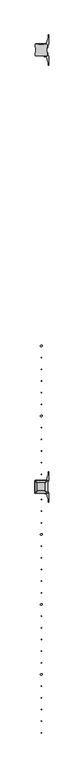
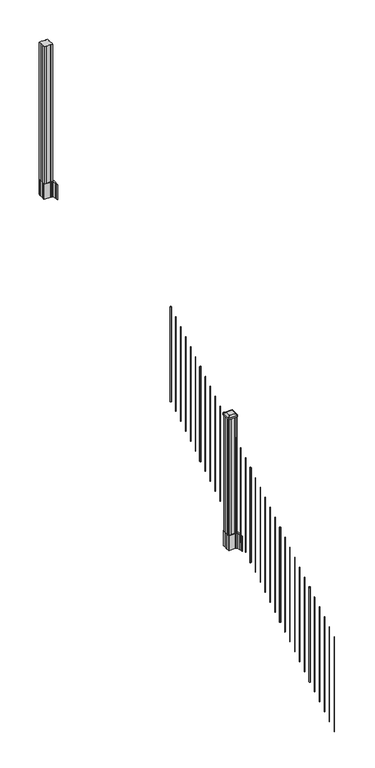
"""IFC4 building model written with IfcOpenShell, lengths in millimetres: railing geometry."""

from ifc_helpers import new_model, si_unit, point, frame, frame_2d, origin, place, context, project, spatial, polyline, circle_curve, trimmed, segment, composite_curve, outline, extrude, source, transform, mapped, element, save
from ifc_brep_helpers import plane_surface, extruded_surface, advanced_brep


def railing_89d02215(model_context):
    return source(origin(), model_context, "Body", "SolidModel", [
        extrude(outline(composite_curve([segment(trimmed(circle_curve(frame_2d((8683.6657728, -84632.7128453)), 6.35), [point((8677.3157728, -84632.7128453))], [point((8683.6657728, -84626.3628453))], False, "CARTESIAN"), True, "CONTINUOUS"), segment(trimmed(circle_curve(frame_2d((8683.6657728, -84632.7128453)), 6.35), [point((8683.6657728, -84626.3628453))], [point((8690.0157728, -84632.7128453))], False, "CARTESIAN"), True, "CONTINUOUS"), segment(trimmed(circle_curve(frame_2d((8683.6657728, -84632.7128453)), 6.35), [point((8690.0157728, -84632.7128453))], [point((8683.6657728, -84639.0628453))], False, "CARTESIAN"), True, "CONTINUOUS"), segment(trimmed(circle_curve(frame_2d((8683.6657728, -84632.7128453)), 6.35), [point((8683.6657728, -84639.0628453))], [point((8677.3157728, -84632.7128453))], False, "CARTESIAN"), True, "CONTINUOUS")], self_intersect=False)), frame((0.0, 0.0, 2058.1896281), z_axis=(0.0, 0.0, 1.0), x_axis=(1.0, 0.0, 0.0)), (0.0, 0.0, 1.0), 965.2041219),
        extrude(outline(composite_curve([segment(trimmed(circle_curve(frame_2d((8683.6657728, -84715.2628453)), 1.5875), [point((8682.0782728, -84715.2628453))], [point((8683.6657728, -84713.6753453))], False, "CARTESIAN"), True, "CONTINUOUS"), segment(trimmed(circle_curve(frame_2d((8683.6657728, -84715.2628453)), 1.5875), [point((8683.6657728, -84713.6753453))], [point((8685.2532728, -84715.2628453))], False, "CARTESIAN"), True, "CONTINUOUS"), segment(trimmed(circle_curve(frame_2d((8683.6657728, -84715.2628453)), 1.5875), [point((8685.2532728, -84715.2628453))], [point((8683.6657728, -84716.8503453))], False, "CARTESIAN"), True, "CONTINUOUS"), segment(trimmed(circle_curve(frame_2d((8683.6657728, -84715.2628453)), 1.5875), [point((8683.6657728, -84716.8503453))], [point((8682.0782728, -84715.2628453))], False, "CARTESIAN"), True, "CONTINUOUS")], self_intersect=False)), frame((0.0, 0.0, 2006.5958781), z_axis=(0.0, 0.0, 1.0), x_axis=(1.0, 0.0, 0.0)), (0.0, 0.0, 1.0), 965.2041219),
        extrude(outline(composite_curve([segment(trimmed(circle_curve(frame_2d((8683.6657728, -84797.8128453)), 1.5875), [point((8682.0782728, -84797.8128453))], [point((8683.6657728, -84796.2253453))], False, "CARTESIAN"), True, "CONTINUOUS"), segment(trimmed(circle_curve(frame_2d((8683.6657728, -84797.8128453)), 1.5875), [point((8683.6657728, -84796.2253453))], [point((8685.2532728, -84797.8128453))], False, "CARTESIAN"), True, "CONTINUOUS"), segment(trimmed(circle_curve(frame_2d((8683.6657728, -84797.8128453)), 1.5875), [point((8685.2532728, -84797.8128453))], [point((8683.6657728, -84799.4003453))], False, "CARTESIAN"), True, "CONTINUOUS"), segment(trimmed(circle_curve(frame_2d((8683.6657728, -84797.8128453)), 1.5875), [point((8683.6657728, -84799.4003453))], [point((8682.0782728, -84797.8128453))], False, "CARTESIAN"), True, "CONTINUOUS")], self_intersect=False)), frame((0.0, 0.0, 1955.0021281), z_axis=(0.0, 0.0, 1.0), x_axis=(1.0, 0.0, 0.0)), (0.0, 0.0, 1.0), 965.2041219),
        extrude(outline(composite_curve([segment(trimmed(circle_curve(frame_2d((8683.6657728, -84880.3628453)), 1.5875), [point((8682.0782728, -84880.3628453))], [point((8683.6657728, -84878.7753453))], False, "CARTESIAN"), True, "CONTINUOUS"), segment(trimmed(circle_curve(frame_2d((8683.6657728, -84880.3628453)), 1.5875), [point((8683.6657728, -84878.7753453))], [point((8685.2532728, -84880.3628453))], False, "CARTESIAN"), True, "CONTINUOUS"), segment(trimmed(circle_curve(frame_2d((8683.6657728, -84880.3628453)), 1.5875), [point((8685.2532728, -84880.3628453))], [point((8683.6657728, -84881.9503453))], False, "CARTESIAN"), True, "CONTINUOUS"), segment(trimmed(circle_curve(frame_2d((8683.6657728, -84880.3628453)), 1.5875), [point((8683.6657728, -84881.9503453))], [point((8682.0782728, -84880.3628453))], False, "CARTESIAN"), True, "CONTINUOUS")], self_intersect=False)), frame((0.0, 0.0, 1903.4083781), z_axis=(0.0, 0.0, 1.0), x_axis=(1.0, 0.0, 0.0)), (0.0, 0.0, 1.0), 965.2041219),
        extrude(outline(composite_curve([segment(trimmed(circle_curve(frame_2d((8683.6657728, -84962.9128453)), 1.5875), [point((8682.0782728, -84962.9128453))], [point((8683.6657728, -84961.3253453))], False, "CARTESIAN"), True, "CONTINUOUS"), segment(trimmed(circle_curve(frame_2d((8683.6657728, -84962.9128453)), 1.5875), [point((8683.6657728, -84961.3253453))], [point((8685.2532728, -84962.9128453))], False, "CARTESIAN"), True, "CONTINUOUS"), segment(trimmed(circle_curve(frame_2d((8683.6657728, -84962.9128453)), 1.5875), [point((8685.2532728, -84962.9128453))], [point((8683.6657728, -84964.5003453))], False, "CARTESIAN"), True, "CONTINUOUS"), segment(trimmed(circle_curve(frame_2d((8683.6657728, -84962.9128453)), 1.5875), [point((8683.6657728, -84964.5003453))], [point((8682.0782728, -84962.9128453))], False, "CARTESIAN"), True, "CONTINUOUS")], self_intersect=False)), frame((0.0, 0.0, 1851.8146281), z_axis=(0.0, 0.0, 1.0), x_axis=(1.0, 0.0, 0.0)), (0.0, 0.0, 1.0), 965.2041219),
        extrude(outline(composite_curve([segment(trimmed(circle_curve(frame_2d((8683.6657728, -85045.4628453)), 1.5875), [point((8682.0782728, -85045.4628453))], [point((8683.6657728, -85043.8753453))], False, "CARTESIAN"), True, "CONTINUOUS"), segment(trimmed(circle_curve(frame_2d((8683.6657728, -85045.4628453)), 1.5875), [point((8683.6657728, -85043.8753453))], [point((8685.2532728, -85045.4628453))], False, "CARTESIAN"), True, "CONTINUOUS"), segment(trimmed(circle_curve(frame_2d((8683.6657728, -85045.4628453)), 1.5875), [point((8685.2532728, -85045.4628453))], [point((8683.6657728, -85047.0503453))], False, "CARTESIAN"), True, "CONTINUOUS"), segment(trimmed(circle_curve(frame_2d((8683.6657728, -85045.4628453)), 1.5875), [point((8683.6657728, -85047.0503453))], [point((8682.0782728, -85045.4628453))], False, "CARTESIAN"), True, "CONTINUOUS")], self_intersect=False)), frame((0.0, 0.0, 1800.2208781), z_axis=(0.0, 0.0, 1.0), x_axis=(1.0, 0.0, 0.0)), (0.0, 0.0, 1.0), 965.2041219),
        extrude(outline(composite_curve([segment(trimmed(circle_curve(frame_2d((8683.6657728, -85128.0128453)), 6.35), [point((8677.3157728, -85128.0128453))], [point((8683.6657728, -85121.6628453))], False, "CARTESIAN"), True, "CONTINUOUS"), segment(trimmed(circle_curve(frame_2d((8683.6657728, -85128.0128453)), 6.35), [point((8683.6657728, -85121.6628453))], [point((8690.0157728, -85128.0128453))], False, "CARTESIAN"), True, "CONTINUOUS"), segment(trimmed(circle_curve(frame_2d((8683.6657728, -85128.0128453)), 6.35), [point((8690.0157728, -85128.0128453))], [point((8683.6657728, -85134.3628453))], False, "CARTESIAN"), True, "CONTINUOUS"), segment(trimmed(circle_curve(frame_2d((8683.6657728, -85128.0128453)), 6.35), [point((8683.6657728, -85134.3628453))], [point((8677.3157728, -85128.0128453))], False, "CARTESIAN"), True, "CONTINUOUS")], self_intersect=False)), frame((0.0, 0.0, 1748.6271281), z_axis=(0.0, 0.0, 1.0), x_axis=(1.0, 0.0, 0.0)), (0.0, 0.0, 1.0), 965.2041219),
        extrude(outline(composite_curve([segment(trimmed(circle_curve(frame_2d((8683.6657728, -85210.5628453)), 1.5875), [point((8682.0782728, -85210.5628453))], [point((8683.6657728, -85208.9753453))], False, "CARTESIAN"), True, "CONTINUOUS"), segment(trimmed(circle_curve(frame_2d((8683.6657728, -85210.5628453)), 1.5875), [point((8683.6657728, -85208.9753453))], [point((8685.2532728, -85210.5628453))], False, "CARTESIAN"), True, "CONTINUOUS"), segment(trimmed(circle_curve(frame_2d((8683.6657728, -85210.5628453)), 1.5875), [point((8685.2532728, -85210.5628453))], [point((8683.6657728, -85212.1503453))], False, "CARTESIAN"), True, "CONTINUOUS"), segment(trimmed(circle_curve(frame_2d((8683.6657728, -85210.5628453)), 1.5875), [point((8683.6657728, -85212.1503453))], [point((8682.0782728, -85210.5628453))], False, "CARTESIAN"), True, "CONTINUOUS")], self_intersect=False)), frame((0.0, 0.0, 1697.0333781), z_axis=(0.0, 0.0, 1.0), x_axis=(1.0, 0.0, 0.0)), (0.0, 0.0, 1.0), 965.2041219),
        extrude(outline(composite_curve([segment(trimmed(circle_curve(frame_2d((8683.6657728, -85293.1128453)), 1.5875), [point((8682.0782728, -85293.1128453))], [point((8683.6657728, -85291.5253453))], False, "CARTESIAN"), True, "CONTINUOUS"), segment(trimmed(circle_curve(frame_2d((8683.6657728, -85293.1128453)), 1.5875), [point((8683.6657728, -85291.5253453))], [point((8685.2532728, -85293.1128453))], False, "CARTESIAN"), True, "CONTINUOUS"), segment(trimmed(circle_curve(frame_2d((8683.6657728, -85293.1128453)), 1.5875), [point((8685.2532728, -85293.1128453))], [point((8683.6657728, -85294.7003453))], False, "CARTESIAN"), True, "CONTINUOUS"), segment(trimmed(circle_curve(frame_2d((8683.6657728, -85293.1128453)), 1.5875), [point((8683.6657728, -85294.7003453))], [point((8682.0782728, -85293.1128453))], False, "CARTESIAN"), True, "CONTINUOUS")], self_intersect=False)), frame((0.0, 0.0, 1645.4396281), z_axis=(0.0, 0.0, 1.0), x_axis=(1.0, 0.0, 0.0)), (0.0, 0.0, 1.0), 965.2041219),
        extrude(outline(composite_curve([segment(trimmed(circle_curve(frame_2d((8683.6657728, -85375.6628453)), 1.5875), [point((8682.0782728, -85375.6628453))], [point((8683.6657728, -85374.0753453))], False, "CARTESIAN"), True, "CONTINUOUS"), segment(trimmed(circle_curve(frame_2d((8683.6657728, -85375.6628453)), 1.5875), [point((8683.6657728, -85374.0753453))], [point((8685.2532728, -85375.6628453))], False, "CARTESIAN"), True, "CONTINUOUS"), segment(trimmed(circle_curve(frame_2d((8683.6657728, -85375.6628453)), 1.5875), [point((8685.2532728, -85375.6628453))], [point((8683.6657728, -85377.2503453))], False, "CARTESIAN"), True, "CONTINUOUS"), segment(trimmed(circle_curve(frame_2d((8683.6657728, -85375.6628453)), 1.5875), [point((8683.6657728, -85377.2503453))], [point((8682.0782728, -85375.6628453))], False, "CARTESIAN"), True, "CONTINUOUS")], self_intersect=False)), frame((0.0, 0.0, 1593.8458781), z_axis=(0.0, 0.0, 1.0), x_axis=(1.0, 0.0, 0.0)), (0.0, 0.0, 1.0), 965.2041219),
        extrude(outline(composite_curve([segment(trimmed(circle_curve(frame_2d((8683.6657728, -85458.2128453)), 1.5875), [point((8682.0782728, -85458.2128453))], [point((8683.6657728, -85456.6253453))], False, "CARTESIAN"), True, "CONTINUOUS"), segment(trimmed(circle_curve(frame_2d((8683.6657728, -85458.2128453)), 1.5875), [point((8683.6657728, -85456.6253453))], [point((8685.2532728, -85458.2128453))], False, "CARTESIAN"), True, "CONTINUOUS"), segment(trimmed(circle_curve(frame_2d((8683.6657728, -85458.2128453)), 1.5875), [point((8685.2532728, -85458.2128453))], [point((8683.6657728, -85459.8003453))], False, "CARTESIAN"), True, "CONTINUOUS"), segment(trimmed(circle_curve(frame_2d((8683.6657728, -85458.2128453)), 1.5875), [point((8683.6657728, -85459.8003453))], [point((8682.0782728, -85458.2128453))], False, "CARTESIAN"), True, "CONTINUOUS")], self_intersect=False)), frame((0.0, 0.0, 1542.2521281), z_axis=(0.0, 0.0, 1.0), x_axis=(1.0, 0.0, 0.0)), (0.0, 0.0, 1.0), 965.2041219),
        extrude(outline(composite_curve([segment(trimmed(circle_curve(frame_2d((8683.6657728, -85540.7628453)), 1.5875), [point((8682.0782728, -85540.7628453))], [point((8683.6657728, -85539.1753453))], False, "CARTESIAN"), True, "CONTINUOUS"), segment(trimmed(circle_curve(frame_2d((8683.6657728, -85540.7628453)), 1.5875), [point((8683.6657728, -85539.1753453))], [point((8685.2532728, -85540.7628453))], False, "CARTESIAN"), True, "CONTINUOUS"), segment(trimmed(circle_curve(frame_2d((8683.6657728, -85540.7628453)), 1.5875), [point((8685.2532728, -85540.7628453))], [point((8683.6657728, -85542.3503453))], False, "CARTESIAN"), True, "CONTINUOUS"), segment(trimmed(circle_curve(frame_2d((8683.6657728, -85540.7628453)), 1.5875), [point((8683.6657728, -85542.3503453))], [point((8682.0782728, -85540.7628453))], False, "CARTESIAN"), True, "CONTINUOUS")], self_intersect=False)), frame((0.0, 0.0, 1490.6583781), z_axis=(0.0, 0.0, 1.0), x_axis=(1.0, 0.0, 0.0)), (0.0, 0.0, 1.0), 965.2041219),
        extrude(outline(composite_curve([segment(polyline([(8640.9302728, -85647.0489401), (8640.9302728, -85612.2767504), (8639.3427728, -85611.5147504), (8639.3427728, -85588.7128224), (8642.7157498, -85585.3398453), (8704.1754206, -85585.3398453), (8704.1754206, -85584.4190953), (8709.4929645, -85584.4190953), (8709.4929645, -85582.9648406), (8714.5774942, -85582.9648406), (8714.5774942, -85581.6808168), (8716.2447665, -85581.6808168)]), True, "CONTINUOUS"), segment(trimmed(circle_curve(frame_2d((8716.2447665, -85574.6213569)), 7.0594599), [point((8716.2447665, -85581.6808168))], [point((8723.0120293, -85576.6313636))], True, "CARTESIAN"), True, "CONTINUOUS"), segment(polyline([(8723.0120293, -85576.6313636), (8730.8862236, -85550.1206345)]), True, "CONTINUOUS"), segment(trimmed(circle_curve(frame_2d((8676.1017103, -85533.8485848)), 57.15), [point((8730.8862236, -85550.1206345))], [point((8733.2517103, -85533.8485848))], True, "CARTESIAN"), True, "CONTINUOUS"), segment(polyline([(8733.2517103, -85533.8485848), (8733.2517103, -85521.8398453), (8736.2517103, -85521.8398453), (8736.2517103, -85586.9273453), (8727.9887728, -85598.2656366), (8727.9887728, -85611.5147504), (8726.4012728, -85612.2767504), (8726.4012728, -85647.0489401), (8727.9887728, -85647.8109401), (8727.9887728, -85661.060054), (8736.2517103, -85672.3983453), (8736.2517103, -85737.4858453), (8733.2517103, -85737.4858453), (8733.2517103, -85725.4771057)]), True, "CONTINUOUS"), segment(trimmed(circle_curve(frame_2d((8676.1017103, -85725.4771057)), 57.15), [point((8733.2517103, -85725.4771057))], [point((8730.8862236, -85709.2050561))], True, "CARTESIAN"), True, "CONTINUOUS"), segment(polyline([(8730.8862236, -85709.2050561), (8723.0120293, -85682.694327)]), True, "CONTINUOUS"), segment(trimmed(circle_curve(frame_2d((8716.2447665, -85684.7043337)), 7.0594599), [point((8723.0120293, -85682.694327))], [point((8716.2447665, -85677.6448738))], True, "CARTESIAN"), True, "CONTINUOUS"), segment(polyline([(8716.2447665, -85677.6448738), (8714.5774942, -85677.6448738), (8714.5774942, -85676.36085), (8709.4929645, -85676.36085), (8709.4929645, -85674.9065953), (8704.1754206, -85674.9065953), (8704.1754206, -85673.9858453), (8642.7157498, -85673.9858453), (8639.3427728, -85670.6128682), (8639.3427728, -85647.8109401), (8640.9302728, -85647.0489401)]), True, "CONTINUOUS")], self_intersect=False), holes=[polyline([(8724.9407728, -85589.9753453), (8723.3532728, -85588.3878453), (8686.4289902, -85588.3878453), (8643.9782728, -85588.3878453), (8642.3907728, -85589.9753453), (8642.3907728, -85669.3503453), (8643.9782728, -85670.9378453), (8686.4289902, -85670.9378453), (8723.3532728, -85670.9378453), (8724.9407728, -85669.3503453), (8724.9407728, -85589.9753453)])]), frame((0.0, 0.0, 1181.1), z_axis=(0.0, 0.0, 1.0), x_axis=(1.0, 0.0, 0.0)), (0.0, 0.0, 1.0), 152.4),
        advanced_brep(
        [(8709.4626478, -85658.6347203, 2545.839263), (8712.6376478, -85655.4597203, 2545.839263), (8712.6376478, -85603.8659703, 2545.839263), (8709.4626478, -85600.6909703, 2545.839263), (8657.8688978, -85600.6909703, 2545.839263), (8654.6938978, -85603.8659703, 2545.839263), (8654.6938978, -85655.4597203, 2545.839263), (8657.8688978, -85658.6347203, 2545.839263), (8725.7345228, -85674.9065953, 2534.536263), (8641.5970228, -85674.9065953, 2534.536263), (8638.4220228, -85671.7315953, 2534.536263), (8638.4220228, -85587.5940953, 2534.536263), (8641.5970228, -85584.4190953, 2534.536263), (8725.7345228, -85584.4190953, 2534.536263), (8728.9095228, -85587.5940953, 2534.536263), (8728.9095228, -85671.7315953, 2534.536263)],
        [
            (0, 1, circle_curve(frame((8709.4626478, -85655.4597203, 2545.839263), z_axis=(0.0, 0.0, 1.0), x_axis=(0.0, 1.0, 0.0)), 3.175)),
            (1, 2),
            (2, 3, circle_curve(frame((8709.4626478, -85603.8659703, 2545.839263), z_axis=(0.0, 0.0, 1.0), x_axis=(0.0, 1.0, 0.0)), 3.175)),
            (3, 4),
            (4, 5, circle_curve(frame((8657.8688978, -85603.8659703, 2545.839263), z_axis=(0.0, 0.0, 1.0), x_axis=(0.0, 1.0, 0.0)), 3.175)),
            (5, 6),
            (6, 7, circle_curve(frame((8657.8688978, -85655.4597203, 2545.839263), z_axis=(0.0, 0.0, 1.0), x_axis=(0.0, 1.0, 0.0)), 3.175)),
            (7, 0),
            (8, 9),
            (9, 10, circle_curve(frame((8641.5970228, -85671.7315953, 2534.536263), z_axis=(0.0, 0.0, -1.0), x_axis=(0.0, 1.0, 0.0)), 3.175)),
            (10, 11),
            (11, 12, circle_curve(frame((8641.5970228, -85587.5940953, 2534.536263), z_axis=(0.0, 0.0, -1.0), x_axis=(0.0, 1.0, 0.0)), 3.175)),
            (12, 13),
            (13, 14, circle_curve(frame((8725.7345228, -85587.5940953, 2534.536263), z_axis=(0.0, 0.0, -1.0), x_axis=(0.0, 1.0, 0.0)), 3.175)),
            (14, 15),
            (15, 8, circle_curve(frame((8725.7345228, -85671.7315953, 2534.536263), z_axis=(0.0, 0.0, -1.0), x_axis=(0.0, 1.0, 0.0)), 3.175)),
            (15, 1),
            (0, 8),
            (14, 2),
            (13, 3),
            (12, 4),
            (11, 5),
            (10, 6),
            (9, 7),
        ],
        [
            plane_surface(frame((8683.6657728, -85629.6628453, 2545.839263), z_axis=(0.0, 0.0, 1.0), x_axis=(1.0, 0.0, 0.0))),
            plane_surface(frame((8683.6657728, -85629.6628453, 2534.536263), z_axis=(0.0, 0.0, -1.0), x_axis=(1.0, 0.0, 0.0))),
            extruded_surface(trimmed(circle_curve(frame((8725.7345228, -85671.7315953, 2534.536263), z_axis=(0.0, 0.0, 1.0), x_axis=(0.0, 1.0, 0.0)), 3.175), [point((8725.7345228, -85674.9065953, 2534.536263))], [point((8728.9095228, -85671.7315953, 2534.536263))], True, "CARTESIAN"), (-16.271875000000364, 16.27187500000582, 11.302999999999884), 25.637972638870036),
            plane_surface(frame((8728.9095228, -85629.6628453, 2534.536263), z_axis=(0.5705009161540778, 0.0, 0.8212969649690408), x_axis=(0.0, 1.0, 0.0))),
            extruded_surface(trimmed(circle_curve(frame((8725.7345228, -85587.5940953, 2534.536263), z_axis=(0.0, 0.0, 1.0), x_axis=(0.0, 1.0, 0.0)), 3.175), [point((8728.9095228, -85587.5940953, 2534.536263))], [point((8725.7345228, -85584.4190953, 2534.536263))], True, "CARTESIAN"), (-16.271875000000364, -16.27187500000582, 11.302999999999884), 25.637972638870036),
            plane_surface(frame((8683.6657728, -85584.4190953, 2534.536263), z_axis=(0.0, 0.5705009161540291, 0.8212969649690747), x_axis=(-1.0, 0.0, 0.0))),
            extruded_surface(trimmed(circle_curve(frame((8641.5970228, -85587.5940953, 2534.536263), z_axis=(0.0, 0.0, 1.0), x_axis=(0.0, 1.0, 0.0)), 3.175), [point((8641.5970228, -85584.4190953, 2534.536263))], [point((8638.4220228, -85587.5940953, 2534.536263))], True, "CARTESIAN"), (16.271874999998545, -16.27187500000582, 11.302999999999884), 25.63797263886888),
            plane_surface(frame((8638.4220228, -85629.6628453, 2534.536263), z_axis=(-0.5705009161540142, 0.0, 0.8212969649690851), x_axis=(0.0, -1.0, 0.0))),
            extruded_surface(trimmed(circle_curve(frame((8641.5970228, -85671.7315953, 2534.536263), z_axis=(0.0, 0.0, 1.0), x_axis=(0.0, 1.0, 0.0)), 3.175), [point((8638.4220228, -85671.7315953, 2534.536263))], [point((8641.5970228, -85674.9065953, 2534.536263))], True, "CARTESIAN"), (16.271874999998545, 16.27187500000582, 11.302999999999884), 25.63797263886888),
            plane_surface(frame((8683.6657728, -85674.9065953, 2534.536263), z_axis=(0.0, -0.570500916154034, 0.8212969649690713), x_axis=(1.0, 0.0, 0.0))),
        ],
        [
            (0, [[1, 2, 3, 4, 5, 6, 7, 8]]),
            (1, [[9, 10, 11, 12, 13, 14, 15, 16]]),
            (2, [[-16, 17, -1, 18]]),
            (3, [[-15, 19, -2, -17]]),
            (4, [[-14, 20, -3, -19]]),
            (5, [[-13, 21, -4, -20]]),
            (6, [[-12, 22, -5, -21]]),
            (7, [[-11, 23, -6, -22]]),
            (8, [[-10, 24, -7, -23]]),
            (9, [[-9, -18, -8, -24]]),
        ],
    ),
        extrude(outline(composite_curve([segment(polyline([(8725.7345228, -85674.9065953), (8641.5970228, -85674.9065953)]), True, "CONTINUOUS"), segment(trimmed(circle_curve(frame_2d((8641.5970228, -85671.7315953)), 3.175), [point((8641.5970228, -85674.9065953))], [point((8638.4220228, -85671.7315953))], False, "CARTESIAN"), True, "CONTINUOUS"), segment(polyline([(8638.4220228, -85671.7315953), (8638.4220228, -85587.5940953)]), True, "CONTINUOUS"), segment(trimmed(circle_curve(frame_2d((8641.5970228, -85587.5940953)), 3.175), [point((8638.4220228, -85587.5940953))], [point((8641.5970228, -85584.4190953))], False, "CARTESIAN"), True, "CONTINUOUS"), segment(polyline([(8641.5970228, -85584.4190953), (8725.7345228, -85584.4190953)]), True, "CONTINUOUS"), segment(trimmed(circle_curve(frame_2d((8725.7345228, -85587.5940953)), 3.175), [point((8725.7345228, -85584.4190953))], [point((8728.9095228, -85587.5940953))], False, "CARTESIAN"), True, "CONTINUOUS"), segment(polyline([(8728.9095228, -85587.5940953), (8728.9095228, -85671.7315953)]), True, "CONTINUOUS"), segment(trimmed(circle_curve(frame_2d((8725.7345228, -85671.7315953)), 3.175), [point((8728.9095228, -85671.7315953))], [point((8725.7345228, -85674.9065953))], False, "CARTESIAN"), True, "CONTINUOUS")], self_intersect=False)), frame((0.0, 0.0, 2517.264263), z_axis=(0.0, 0.0, 1.0), x_axis=(1.0, 0.0, 0.0)), (0.0, 0.0, 1.0), 17.272),
        extrude(outline(polyline([(8723.3532728, -85670.9378453), (8703.7317728, -85670.9378453), (8702.9697728, -85669.3503453), (8664.3617728, -85669.3503453), (8663.5997728, -85670.9378453), (8643.9782728, -85670.9378453), (8642.3907728, -85669.3503453), (8642.3907728, -85649.7288453), (8643.9782728, -85648.9668453), (8643.9782728, -85610.3588453), (8642.3907728, -85609.5968453), (8642.3907728, -85589.9753453), (8643.9782728, -85588.3878453), (8663.5997728, -85588.3878453), (8664.3617728, -85589.9753453), (8702.9697728, -85589.9753453), (8703.7317728, -85588.3878453), (8723.3532728, -85588.3878453), (8724.9407728, -85589.9753453), (8724.9407728, -85609.5968453), (8723.3532728, -85610.3588453), (8723.3532728, -85648.9668453), (8724.9407728, -85649.7288453), (8724.9407728, -85669.3503453), (8723.3532728, -85670.9378453)])), frame((0.0, 0.0, 1333.5), z_axis=(0.0, 0.0, 1.0), x_axis=(1.0, 0.0, 0.0)), (0.0, 0.0, 1.0), 1183.764263),
        extrude(outline(composite_curve([segment(trimmed(circle_curve(frame_2d((8683.6657728, -85718.5628453)), 1.5875), [point((8682.0782728, -85718.5628453))], [point((8683.6657728, -85716.9753453))], False, "CARTESIAN"), True, "CONTINUOUS"), segment(trimmed(circle_curve(frame_2d((8683.6657728, -85718.5628453)), 1.5875), [point((8683.6657728, -85716.9753453))], [point((8685.2532728, -85718.5628453))], False, "CARTESIAN"), True, "CONTINUOUS"), segment(trimmed(circle_curve(frame_2d((8683.6657728, -85718.5628453)), 1.5875), [point((8685.2532728, -85718.5628453))], [point((8683.6657728, -85720.1503453))], False, "CARTESIAN"), True, "CONTINUOUS"), segment(trimmed(circle_curve(frame_2d((8683.6657728, -85718.5628453)), 1.5875), [point((8683.6657728, -85720.1503453))], [point((8682.0782728, -85718.5628453))], False, "CARTESIAN"), True, "CONTINUOUS")], self_intersect=False)), frame((0.0, 0.0, 1379.5333781), z_axis=(0.0, 0.0, 1.0), x_axis=(1.0, 0.0, 0.0)), (0.0, 0.0, 1.0), 965.2041219),
        extrude(outline(composite_curve([segment(trimmed(circle_curve(frame_2d((8683.6657728, -85801.1128453)), 1.5875), [point((8682.0782728, -85801.1128453))], [point((8683.6657728, -85799.5253453))], False, "CARTESIAN"), True, "CONTINUOUS"), segment(trimmed(circle_curve(frame_2d((8683.6657728, -85801.1128453)), 1.5875), [point((8683.6657728, -85799.5253453))], [point((8685.2532728, -85801.1128453))], False, "CARTESIAN"), True, "CONTINUOUS"), segment(trimmed(circle_curve(frame_2d((8683.6657728, -85801.1128453)), 1.5875), [point((8685.2532728, -85801.1128453))], [point((8683.6657728, -85802.7003453))], False, "CARTESIAN"), True, "CONTINUOUS"), segment(trimmed(circle_curve(frame_2d((8683.6657728, -85801.1128453)), 1.5875), [point((8683.6657728, -85802.7003453))], [point((8682.0782728, -85801.1128453))], False, "CARTESIAN"), True, "CONTINUOUS")], self_intersect=False)), frame((0.0, 0.0, 1327.9396281), z_axis=(0.0, 0.0, 1.0), x_axis=(1.0, 0.0, 0.0)), (0.0, 0.0, 1.0), 965.2041219),
        extrude(outline(composite_curve([segment(trimmed(circle_curve(frame_2d((8683.6657728, -85883.6628453)), 1.5875), [point((8682.0782728, -85883.6628453))], [point((8683.6657728, -85882.0753453))], False, "CARTESIAN"), True, "CONTINUOUS"), segment(trimmed(circle_curve(frame_2d((8683.6657728, -85883.6628453)), 1.5875), [point((8683.6657728, -85882.0753453))], [point((8685.2532728, -85883.6628453))], False, "CARTESIAN"), True, "CONTINUOUS"), segment(trimmed(circle_curve(frame_2d((8683.6657728, -85883.6628453)), 1.5875), [point((8685.2532728, -85883.6628453))], [point((8683.6657728, -85885.2503453))], False, "CARTESIAN"), True, "CONTINUOUS"), segment(trimmed(circle_curve(frame_2d((8683.6657728, -85883.6628453)), 1.5875), [point((8683.6657728, -85885.2503453))], [point((8682.0782728, -85883.6628453))], False, "CARTESIAN"), True, "CONTINUOUS")], self_intersect=False)), frame((0.0, 0.0, 1276.3458781), z_axis=(0.0, 0.0, 1.0), x_axis=(1.0, 0.0, 0.0)), (0.0, 0.0, 1.0), 965.2041219),
        extrude(outline(composite_curve([segment(trimmed(circle_curve(frame_2d((8683.6657728, -85966.2128453)), 6.35), [point((8677.3157728, -85966.2128453))], [point((8683.6657728, -85959.8628453))], False, "CARTESIAN"), True, "CONTINUOUS"), segment(trimmed(circle_curve(frame_2d((8683.6657728, -85966.2128453)), 6.35), [point((8683.6657728, -85959.8628453))], [point((8690.0157728, -85966.2128453))], False, "CARTESIAN"), True, "CONTINUOUS"), segment(trimmed(circle_curve(frame_2d((8683.6657728, -85966.2128453)), 6.35), [point((8690.0157728, -85966.2128453))], [point((8683.6657728, -85972.5628453))], False, "CARTESIAN"), True, "CONTINUOUS"), segment(trimmed(circle_curve(frame_2d((8683.6657728, -85966.2128453)), 6.35), [point((8683.6657728, -85972.5628453))], [point((8677.3157728, -85966.2128453))], False, "CARTESIAN"), True, "CONTINUOUS")], self_intersect=False)), frame((0.0, 0.0, 1224.7521281), z_axis=(0.0, 0.0, 1.0), x_axis=(1.0, 0.0, 0.0)), (0.0, 0.0, 1.0), 965.2041219),
        extrude(outline(composite_curve([segment(trimmed(circle_curve(frame_2d((8683.6657728, -86048.7628453)), 1.5875), [point((8682.0782728, -86048.7628453))], [point((8683.6657728, -86047.1753453))], False, "CARTESIAN"), True, "CONTINUOUS"), segment(trimmed(circle_curve(frame_2d((8683.6657728, -86048.7628453)), 1.5875), [point((8683.6657728, -86047.1753453))], [point((8685.2532728, -86048.7628453))], False, "CARTESIAN"), True, "CONTINUOUS"), segment(trimmed(circle_curve(frame_2d((8683.6657728, -86048.7628453)), 1.5875), [point((8685.2532728, -86048.7628453))], [point((8683.6657728, -86050.3503453))], False, "CARTESIAN"), True, "CONTINUOUS"), segment(trimmed(circle_curve(frame_2d((8683.6657728, -86048.7628453)), 1.5875), [point((8683.6657728, -86050.3503453))], [point((8682.0782728, -86048.7628453))], False, "CARTESIAN"), True, "CONTINUOUS")], self_intersect=False)), frame((0.0, 0.0, 1173.1583781), z_axis=(0.0, 0.0, 1.0), x_axis=(1.0, 0.0, 0.0)), (0.0, 0.0, 1.0), 965.2041219),
        extrude(outline(composite_curve([segment(trimmed(circle_curve(frame_2d((8683.6657728, -86131.3128453)), 1.5875), [point((8682.0782728, -86131.3128453))], [point((8683.6657728, -86129.7253453))], False, "CARTESIAN"), True, "CONTINUOUS"), segment(trimmed(circle_curve(frame_2d((8683.6657728, -86131.3128453)), 1.5875), [point((8683.6657728, -86129.7253453))], [point((8685.2532728, -86131.3128453))], False, "CARTESIAN"), True, "CONTINUOUS"), segment(trimmed(circle_curve(frame_2d((8683.6657728, -86131.3128453)), 1.5875), [point((8685.2532728, -86131.3128453))], [point((8683.6657728, -86132.9003453))], False, "CARTESIAN"), True, "CONTINUOUS"), segment(trimmed(circle_curve(frame_2d((8683.6657728, -86131.3128453)), 1.5875), [point((8683.6657728, -86132.9003453))], [point((8682.0782728, -86131.3128453))], False, "CARTESIAN"), True, "CONTINUOUS")], self_intersect=False)), frame((0.0, 0.0, 1121.5646281), z_axis=(0.0, 0.0, 1.0), x_axis=(1.0, 0.0, 0.0)), (0.0, 0.0, 1.0), 965.2041219),
        extrude(outline(composite_curve([segment(trimmed(circle_curve(frame_2d((8683.6657728, -86213.8628453)), 1.5875), [point((8682.0782728, -86213.8628453))], [point((8683.6657728, -86212.2753453))], False, "CARTESIAN"), True, "CONTINUOUS"), segment(trimmed(circle_curve(frame_2d((8683.6657728, -86213.8628453)), 1.5875), [point((8683.6657728, -86212.2753453))], [point((8685.2532728, -86213.8628453))], False, "CARTESIAN"), True, "CONTINUOUS"), segment(trimmed(circle_curve(frame_2d((8683.6657728, -86213.8628453)), 1.5875), [point((8685.2532728, -86213.8628453))], [point((8683.6657728, -86215.4503453))], False, "CARTESIAN"), True, "CONTINUOUS"), segment(trimmed(circle_curve(frame_2d((8683.6657728, -86213.8628453)), 1.5875), [point((8683.6657728, -86215.4503453))], [point((8682.0782728, -86213.8628453))], False, "CARTESIAN"), True, "CONTINUOUS")], self_intersect=False)), frame((0.0, 0.0, 1069.9708781), z_axis=(0.0, 0.0, 1.0), x_axis=(1.0, 0.0, 0.0)), (0.0, 0.0, 1.0), 965.2041219),
        extrude(outline(composite_curve([segment(trimmed(circle_curve(frame_2d((8683.6657728, -86296.4128453)), 1.5875), [point((8682.0782728, -86296.4128453))], [point((8683.6657728, -86294.8253453))], False, "CARTESIAN"), True, "CONTINUOUS"), segment(trimmed(circle_curve(frame_2d((8683.6657728, -86296.4128453)), 1.5875), [point((8683.6657728, -86294.8253453))], [point((8685.2532728, -86296.4128453))], False, "CARTESIAN"), True, "CONTINUOUS"), segment(trimmed(circle_curve(frame_2d((8683.6657728, -86296.4128453)), 1.5875), [point((8685.2532728, -86296.4128453))], [point((8683.6657728, -86298.0003453))], False, "CARTESIAN"), True, "CONTINUOUS"), segment(trimmed(circle_curve(frame_2d((8683.6657728, -86296.4128453)), 1.5875), [point((8683.6657728, -86298.0003453))], [point((8682.0782728, -86296.4128453))], False, "CARTESIAN"), True, "CONTINUOUS")], self_intersect=False)), frame((0.0, 0.0, 1018.3771281), z_axis=(0.0, 0.0, 1.0), x_axis=(1.0, 0.0, 0.0)), (0.0, 0.0, 1.0), 965.2041219),
        extrude(outline(composite_curve([segment(trimmed(circle_curve(frame_2d((8683.6657728, -86378.9628453)), 1.5875), [point((8682.0782728, -86378.9628453))], [point((8683.6657728, -86377.3753453))], False, "CARTESIAN"), True, "CONTINUOUS"), segment(trimmed(circle_curve(frame_2d((8683.6657728, -86378.9628453)), 1.5875), [point((8683.6657728, -86377.3753453))], [point((8685.2532728, -86378.9628453))], False, "CARTESIAN"), True, "CONTINUOUS"), segment(trimmed(circle_curve(frame_2d((8683.6657728, -86378.9628453)), 1.5875), [point((8685.2532728, -86378.9628453))], [point((8683.6657728, -86380.5503453))], False, "CARTESIAN"), True, "CONTINUOUS"), segment(trimmed(circle_curve(frame_2d((8683.6657728, -86378.9628453)), 1.5875), [point((8683.6657728, -86380.5503453))], [point((8682.0782728, -86378.9628453))], False, "CARTESIAN"), True, "CONTINUOUS")], self_intersect=False)), frame((0.0, 0.0, 966.7833781), z_axis=(0.0, 0.0, 1.0), x_axis=(1.0, 0.0, 0.0)), (0.0, 0.0, 1.0), 965.2041219),
        extrude(outline(composite_curve([segment(trimmed(circle_curve(frame_2d((8683.6657728, -86461.5128453)), 6.35), [point((8677.3157728, -86461.5128453))], [point((8683.6657728, -86455.1628453))], False, "CARTESIAN"), True, "CONTINUOUS"), segment(trimmed(circle_curve(frame_2d((8683.6657728, -86461.5128453)), 6.35), [point((8683.6657728, -86455.1628453))], [point((8690.0157728, -86461.5128453))], False, "CARTESIAN"), True, "CONTINUOUS"), segment(trimmed(circle_curve(frame_2d((8683.6657728, -86461.5128453)), 6.35), [point((8690.0157728, -86461.5128453))], [point((8683.6657728, -86467.8628453))], False, "CARTESIAN"), True, "CONTINUOUS"), segment(trimmed(circle_curve(frame_2d((8683.6657728, -86461.5128453)), 6.35), [point((8683.6657728, -86467.8628453))], [point((8677.3157728, -86461.5128453))], False, "CARTESIAN"), True, "CONTINUOUS")], self_intersect=False)), frame((0.0, 0.0, 915.1896281), z_axis=(0.0, 0.0, 1.0), x_axis=(1.0, 0.0, 0.0)), (0.0, 0.0, 1.0), 965.2041219),
        extrude(outline(composite_curve([segment(trimmed(circle_curve(frame_2d((8683.6657728, -86544.0628453)), 1.5875), [point((8682.0782728, -86544.0628453))], [point((8683.6657728, -86542.4753453))], False, "CARTESIAN"), True, "CONTINUOUS"), segment(trimmed(circle_curve(frame_2d((8683.6657728, -86544.0628453)), 1.5875), [point((8683.6657728, -86542.4753453))], [point((8685.2532728, -86544.0628453))], False, "CARTESIAN"), True, "CONTINUOUS"), segment(trimmed(circle_curve(frame_2d((8683.6657728, -86544.0628453)), 1.5875), [point((8685.2532728, -86544.0628453))], [point((8683.6657728, -86545.6503453))], False, "CARTESIAN"), True, "CONTINUOUS"), segment(trimmed(circle_curve(frame_2d((8683.6657728, -86544.0628453)), 1.5875), [point((8683.6657728, -86545.6503453))], [point((8682.0782728, -86544.0628453))], False, "CARTESIAN"), True, "CONTINUOUS")], self_intersect=False)), frame((0.0, 0.0, 863.5958781), z_axis=(0.0, 0.0, 1.0), x_axis=(1.0, 0.0, 0.0)), (0.0, 0.0, 1.0), 965.2041219),
        extrude(outline(composite_curve([segment(trimmed(circle_curve(frame_2d((8683.6657728, -86626.6128453)), 1.5875), [point((8682.0782728, -86626.6128453))], [point((8683.6657728, -86625.0253453))], False, "CARTESIAN"), True, "CONTINUOUS"), segment(trimmed(circle_curve(frame_2d((8683.6657728, -86626.6128453)), 1.5875), [point((8683.6657728, -86625.0253453))], [point((8685.2532728, -86626.6128453))], False, "CARTESIAN"), True, "CONTINUOUS"), segment(trimmed(circle_curve(frame_2d((8683.6657728, -86626.6128453)), 1.5875), [point((8685.2532728, -86626.6128453))], [point((8683.6657728, -86628.2003453))], False, "CARTESIAN"), True, "CONTINUOUS"), segment(trimmed(circle_curve(frame_2d((8683.6657728, -86626.6128453)), 1.5875), [point((8683.6657728, -86628.2003453))], [point((8682.0782728, -86626.6128453))], False, "CARTESIAN"), True, "CONTINUOUS")], self_intersect=False)), frame((0.0, 0.0, 812.0021281), z_axis=(0.0, 0.0, 1.0), x_axis=(1.0, 0.0, 0.0)), (0.0, 0.0, 1.0), 965.2041219),
        extrude(outline(composite_curve([segment(trimmed(circle_curve(frame_2d((8683.6657728, -86709.1628453)), 1.5875), [point((8682.0782728, -86709.1628453))], [point((8683.6657728, -86707.5753453))], False, "CARTESIAN"), True, "CONTINUOUS"), segment(trimmed(circle_curve(frame_2d((8683.6657728, -86709.1628453)), 1.5875), [point((8683.6657728, -86707.5753453))], [point((8685.2532728, -86709.1628453))], False, "CARTESIAN"), True, "CONTINUOUS"), segment(trimmed(circle_curve(frame_2d((8683.6657728, -86709.1628453)), 1.5875), [point((8685.2532728, -86709.1628453))], [point((8683.6657728, -86710.7503453))], False, "CARTESIAN"), True, "CONTINUOUS"), segment(trimmed(circle_curve(frame_2d((8683.6657728, -86709.1628453)), 1.5875), [point((8683.6657728, -86710.7503453))], [point((8682.0782728, -86709.1628453))], False, "CARTESIAN"), True, "CONTINUOUS")], self_intersect=False)), frame((0.0, 0.0, 760.4083781), z_axis=(0.0, 0.0, 1.0), x_axis=(1.0, 0.0, 0.0)), (0.0, 0.0, 1.0), 965.2041219),
        extrude(outline(composite_curve([segment(trimmed(circle_curve(frame_2d((8683.6657728, -86791.7128453)), 1.5875), [point((8682.0782728, -86791.7128453))], [point((8683.6657728, -86790.1253453))], False, "CARTESIAN"), True, "CONTINUOUS"), segment(trimmed(circle_curve(frame_2d((8683.6657728, -86791.7128453)), 1.5875), [point((8683.6657728, -86790.1253453))], [point((8685.2532728, -86791.7128453))], False, "CARTESIAN"), True, "CONTINUOUS"), segment(trimmed(circle_curve(frame_2d((8683.6657728, -86791.7128453)), 1.5875), [point((8685.2532728, -86791.7128453))], [point((8683.6657728, -86793.3003453))], False, "CARTESIAN"), True, "CONTINUOUS"), segment(trimmed(circle_curve(frame_2d((8683.6657728, -86791.7128453)), 1.5875), [point((8683.6657728, -86793.3003453))], [point((8682.0782728, -86791.7128453))], False, "CARTESIAN"), True, "CONTINUOUS")], self_intersect=False)), frame((0.0, 0.0, 708.8146281), z_axis=(0.0, 0.0, 1.0), x_axis=(1.0, 0.0, 0.0)), (0.0, 0.0, 1.0), 965.2041219),
        extrude(outline(composite_curve([segment(trimmed(circle_curve(frame_2d((8683.6657728, -86874.2628453)), 1.5875), [point((8682.0782728, -86874.2628453))], [point((8683.6657728, -86872.6753453))], False, "CARTESIAN"), True, "CONTINUOUS"), segment(trimmed(circle_curve(frame_2d((8683.6657728, -86874.2628453)), 1.5875), [point((8683.6657728, -86872.6753453))], [point((8685.2532728, -86874.2628453))], False, "CARTESIAN"), True, "CONTINUOUS"), segment(trimmed(circle_curve(frame_2d((8683.6657728, -86874.2628453)), 1.5875), [point((8685.2532728, -86874.2628453))], [point((8683.6657728, -86875.8503453))], False, "CARTESIAN"), True, "CONTINUOUS"), segment(trimmed(circle_curve(frame_2d((8683.6657728, -86874.2628453)), 1.5875), [point((8683.6657728, -86875.8503453))], [point((8682.0782728, -86874.2628453))], False, "CARTESIAN"), True, "CONTINUOUS")], self_intersect=False)), frame((0.0, 0.0, 657.2208781), z_axis=(0.0, 0.0, 1.0), x_axis=(1.0, 0.0, 0.0)), (0.0, 0.0, 1.0), 965.2041219),
        extrude(outline(composite_curve([segment(trimmed(circle_curve(frame_2d((8683.6657728, -86956.8128453)), 6.35), [point((8677.3157728, -86956.8128453))], [point((8683.6657728, -86950.4628453))], False, "CARTESIAN"), True, "CONTINUOUS"), segment(trimmed(circle_curve(frame_2d((8683.6657728, -86956.8128453)), 6.35), [point((8683.6657728, -86950.4628453))], [point((8690.0157728, -86956.8128453))], False, "CARTESIAN"), True, "CONTINUOUS"), segment(trimmed(circle_curve(frame_2d((8683.6657728, -86956.8128453)), 6.35), [point((8690.0157728, -86956.8128453))], [point((8683.6657728, -86963.1628453))], False, "CARTESIAN"), True, "CONTINUOUS"), segment(trimmed(circle_curve(frame_2d((8683.6657728, -86956.8128453)), 6.35), [point((8683.6657728, -86963.1628453))], [point((8677.3157728, -86956.8128453))], False, "CARTESIAN"), True, "CONTINUOUS")], self_intersect=False)), frame((0.0, 0.0, 605.6271281), z_axis=(0.0, 0.0, 1.0), x_axis=(1.0, 0.0, 0.0)), (0.0, 0.0, 1.0), 965.2041219),
        extrude(outline(composite_curve([segment(trimmed(circle_curve(frame_2d((8683.6657728, -87039.3628453)), 1.5875), [point((8682.0782728, -87039.3628453))], [point((8683.6657728, -87037.7753453))], False, "CARTESIAN"), True, "CONTINUOUS"), segment(trimmed(circle_curve(frame_2d((8683.6657728, -87039.3628453)), 1.5875), [point((8683.6657728, -87037.7753453))], [point((8685.2532728, -87039.3628453))], False, "CARTESIAN"), True, "CONTINUOUS"), segment(trimmed(circle_curve(frame_2d((8683.6657728, -87039.3628453)), 1.5875), [point((8685.2532728, -87039.3628453))], [point((8683.6657728, -87040.9503453))], False, "CARTESIAN"), True, "CONTINUOUS"), segment(trimmed(circle_curve(frame_2d((8683.6657728, -87039.3628453)), 1.5875), [point((8683.6657728, -87040.9503453))], [point((8682.0782728, -87039.3628453))], False, "CARTESIAN"), True, "CONTINUOUS")], self_intersect=False)), frame((0.0, 0.0, 554.0333781), z_axis=(0.0, 0.0, 1.0), x_axis=(1.0, 0.0, 0.0)), (0.0, 0.0, 1.0), 965.2041219),
        extrude(outline(composite_curve([segment(trimmed(circle_curve(frame_2d((8683.6657728, -87121.9128453)), 1.5875), [point((8682.0782728, -87121.9128453))], [point((8683.6657728, -87120.3253453))], False, "CARTESIAN"), True, "CONTINUOUS"), segment(trimmed(circle_curve(frame_2d((8683.6657728, -87121.9128453)), 1.5875), [point((8683.6657728, -87120.3253453))], [point((8685.2532728, -87121.9128453))], False, "CARTESIAN"), True, "CONTINUOUS"), segment(trimmed(circle_curve(frame_2d((8683.6657728, -87121.9128453)), 1.5875), [point((8685.2532728, -87121.9128453))], [point((8683.6657728, -87123.5003453))], False, "CARTESIAN"), True, "CONTINUOUS"), segment(trimmed(circle_curve(frame_2d((8683.6657728, -87121.9128453)), 1.5875), [point((8683.6657728, -87123.5003453))], [point((8682.0782728, -87121.9128453))], False, "CARTESIAN"), True, "CONTINUOUS")], self_intersect=False)), frame((0.0, 0.0, 502.4396281), z_axis=(0.0, 0.0, 1.0), x_axis=(1.0, 0.0, 0.0)), (0.0, 0.0, 1.0), 965.2041219),
        extrude(outline(composite_curve([segment(trimmed(circle_curve(frame_2d((8683.6657728, -87204.4628453)), 1.5875), [point((8682.0782728, -87204.4628453))], [point((8683.6657728, -87202.8753453))], False, "CARTESIAN"), True, "CONTINUOUS"), segment(trimmed(circle_curve(frame_2d((8683.6657728, -87204.4628453)), 1.5875), [point((8683.6657728, -87202.8753453))], [point((8685.2532728, -87204.4628453))], False, "CARTESIAN"), True, "CONTINUOUS"), segment(trimmed(circle_curve(frame_2d((8683.6657728, -87204.4628453)), 1.5875), [point((8685.2532728, -87204.4628453))], [point((8683.6657728, -87206.0503453))], False, "CARTESIAN"), True, "CONTINUOUS"), segment(trimmed(circle_curve(frame_2d((8683.6657728, -87204.4628453)), 1.5875), [point((8683.6657728, -87206.0503453))], [point((8682.0782728, -87204.4628453))], False, "CARTESIAN"), True, "CONTINUOUS")], self_intersect=False)), frame((0.0, 0.0, 450.8458781), z_axis=(0.0, 0.0, 1.0), x_axis=(1.0, 0.0, 0.0)), (0.0, 0.0, 1.0), 965.2041219),
        extrude(outline(composite_curve([segment(trimmed(circle_curve(frame_2d((8683.6657728, -87287.0128453)), 1.5875), [point((8682.0782728, -87287.0128453))], [point((8683.6657728, -87285.4253453))], False, "CARTESIAN"), True, "CONTINUOUS"), segment(trimmed(circle_curve(frame_2d((8683.6657728, -87287.0128453)), 1.5875), [point((8683.6657728, -87285.4253453))], [point((8685.2532728, -87287.0128453))], False, "CARTESIAN"), True, "CONTINUOUS"), segment(trimmed(circle_curve(frame_2d((8683.6657728, -87287.0128453)), 1.5875), [point((8685.2532728, -87287.0128453))], [point((8683.6657728, -87288.6003453))], False, "CARTESIAN"), True, "CONTINUOUS"), segment(trimmed(circle_curve(frame_2d((8683.6657728, -87287.0128453)), 1.5875), [point((8683.6657728, -87288.6003453))], [point((8682.0782728, -87287.0128453))], False, "CARTESIAN"), True, "CONTINUOUS")], self_intersect=False)), frame((0.0, 0.0, 399.2521281), z_axis=(0.0, 0.0, 1.0), x_axis=(1.0, 0.0, 0.0)), (0.0, 0.0, 1.0), 965.2041219),
        extrude(outline(composite_curve([segment(trimmed(circle_curve(frame_2d((8683.6657728, -87369.5628453)), 1.5875), [point((8682.0782728, -87369.5628453))], [point((8683.6657728, -87367.9753453))], False, "CARTESIAN"), True, "CONTINUOUS"), segment(trimmed(circle_curve(frame_2d((8683.6657728, -87369.5628453)), 1.5875), [point((8683.6657728, -87367.9753453))], [point((8685.2532728, -87369.5628453))], False, "CARTESIAN"), True, "CONTINUOUS"), segment(trimmed(circle_curve(frame_2d((8683.6657728, -87369.5628453)), 1.5875), [point((8685.2532728, -87369.5628453))], [point((8683.6657728, -87371.1503453))], False, "CARTESIAN"), True, "CONTINUOUS"), segment(trimmed(circle_curve(frame_2d((8683.6657728, -87369.5628453)), 1.5875), [point((8683.6657728, -87371.1503453))], [point((8682.0782728, -87369.5628453))], False, "CARTESIAN"), True, "CONTINUOUS")], self_intersect=False)), frame((0.0, 0.0, 347.6583781), z_axis=(0.0, 0.0, 1.0), x_axis=(1.0, 0.0, 0.0)), (0.0, 0.0, 1.0), 965.2041219),
        extrude(outline(polyline([(8723.3532728, -82581.5358453), (8703.7317728, -82581.5358453), (8702.9697728, -82579.9483453), (8664.3617728, -82579.9483453), (8663.5997728, -82581.5358453), (8643.9782728, -82581.5358453), (8642.3907728, -82579.9483453), (8642.3907728, -82560.3268453), (8643.9782728, -82559.5648453), (8643.9782728, -82520.9568453), (8642.3907728, -82520.1948453), (8642.3907728, -82500.5733453), (8643.9782728, -82498.9858453), (8663.5997728, -82498.9858453), (8664.3617728, -82500.5733453), (8702.9697728, -82500.5733453), (8703.7317728, -82498.9858453), (8723.3532728, -82498.9858453), (8724.9407728, -82500.5733453), (8724.9407728, -82520.1948453), (8723.3532728, -82520.9568453), (8723.3532728, -82559.5648453), (8724.9407728, -82560.3268453), (8724.9407728, -82579.9483453), (8723.3532728, -82581.5358453)])), frame((0.0, 0.0, 3048.0), z_axis=(0.0, 0.0, 1.0), x_axis=(1.0, 0.0, 0.0)), (0.0, 0.0, 1.0), 1400.140513),
        extrude(outline(composite_curve([segment(polyline([(8640.9302728, -82557.6469401), (8640.9302728, -82522.8747504), (8639.3427728, -82522.1127504), (8639.3427728, -82499.3108224), (8642.7157498, -82495.9378453), (8704.1754206, -82495.9378453), (8704.1754206, -82495.0170953), (8709.4929645, -82495.0170953), (8709.4929645, -82493.5628406), (8714.5774942, -82493.5628406), (8714.5774942, -82492.2788168), (8716.2447665, -82492.2788168)]), True, "CONTINUOUS"), segment(trimmed(circle_curve(frame_2d((8716.2447665, -82485.2193569)), 7.0594599), [point((8716.2447665, -82492.2788168))], [point((8723.0120293, -82487.2293636))], True, "CARTESIAN"), True, "CONTINUOUS"), segment(polyline([(8723.0120293, -82487.2293636), (8730.8862236, -82460.7186345)]), True, "CONTINUOUS"), segment(trimmed(circle_curve(frame_2d((8676.1017103, -82444.4465848)), 57.15), [point((8730.8862236, -82460.7186345))], [point((8733.2517103, -82444.4465848))], True, "CARTESIAN"), True, "CONTINUOUS"), segment(polyline([(8733.2517103, -82444.4465848), (8733.2517103, -82432.4378453), (8736.2517103, -82432.4378453), (8736.2517103, -82497.5253453), (8727.9887728, -82508.8636366), (8727.9887728, -82522.1127504), (8726.4012728, -82522.8747504), (8726.4012728, -82557.6469401), (8727.9887728, -82558.4089401), (8727.9887728, -82571.658054), (8736.2517103, -82582.9963453), (8736.2517103, -82648.0838453), (8733.2517103, -82648.0838453), (8733.2517103, -82636.0751057)]), True, "CONTINUOUS"), segment(trimmed(circle_curve(frame_2d((8676.1017103, -82636.0751057)), 57.15), [point((8733.2517103, -82636.0751057))], [point((8730.8862236, -82619.8030561))], True, "CARTESIAN"), True, "CONTINUOUS"), segment(polyline([(8730.8862236, -82619.8030561), (8723.0120293, -82593.292327)]), True, "CONTINUOUS"), segment(trimmed(circle_curve(frame_2d((8716.2447665, -82595.3023337)), 7.0594599), [point((8723.0120293, -82593.292327))], [point((8716.2447665, -82588.2428738))], True, "CARTESIAN"), True, "CONTINUOUS"), segment(polyline([(8716.2447665, -82588.2428738), (8714.5774942, -82588.2428738), (8714.5774942, -82586.95885), (8709.4929645, -82586.95885), (8709.4929645, -82585.5045953), (8704.1754206, -82585.5045953), (8704.1754206, -82584.5838453), (8642.7157498, -82584.5838453), (8639.3427728, -82581.2108682), (8639.3427728, -82558.4089401), (8640.9302728, -82557.6469401)]), True, "CONTINUOUS")], self_intersect=False), holes=[polyline([(8724.9407728, -82500.5733453), (8723.3532728, -82498.9858453), (8686.4289902, -82498.9858453), (8643.9782728, -82498.9858453), (8642.3907728, -82500.5733453), (8642.3907728, -82579.9483453), (8643.9782728, -82581.5358453), (8686.4289902, -82581.5358453), (8723.3532728, -82581.5358453), (8724.9407728, -82579.9483453), (8724.9407728, -82500.5733453)])]), frame((0.0, 0.0, 2895.6), z_axis=(0.0, 0.0, 1.0), x_axis=(1.0, 0.0, 0.0)), (0.0, 0.0, 1.0), 152.4),
    ])


if __name__ == "__main__":
    model = new_model("IFC4")
    model_context = context("Model", 3, world=origin())
    ifc_project = project(units=[si_unit("LENGTHUNIT", "METRE", prefix="MILLI")], contexts=[model_context])
    site = spatial("IfcSite", under=ifc_project)
    building = spatial("IfcBuilding", under=site)
    placement = place(None, origin())
    railing_shape = railing_89d02215(model_context)
    element("IfcRailing", 1, at=placement, inside=building, context=model_context, shape_type="MappedRepresentation", body=[
        mapped(railing_shape, transform((0.0, 0.0, 0.0), x_axis=(1.0, 0.0, 0.0), y_axis=(0.0, 1.0, 0.0), z_axis=(0.0, 0.0, 1.0))),
    ])
    save(model, "model.ifc")
